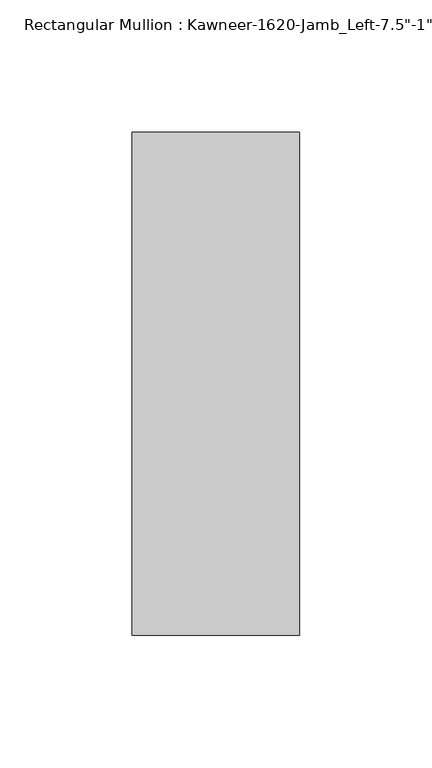
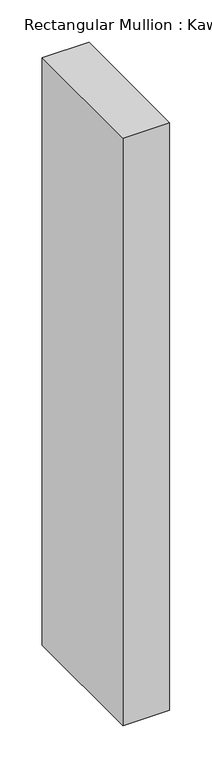
"""IFC4 building model written with IfcOpenShell, lengths in millimetres: member geometry."""

import ifcopenshell
import ifcopenshell.guid

model = None  # the IFC model being written
_history = None  # IfcOwnerHistory: only IFC2X3 demands one
_inside = {}  # id of a spatial element -> (the spatial element, [elements in it])
_under = {}  # id of a project, library or spatial element -> (it, [spatial elements below it])
_declared = {}  # id of a project -> (the project, [libraries it declares])
_typed = {}  # id of a type object -> (the type object, [elements of that type])
_made_of = {}  # id of a material, layer set ... -> (it, [elements and type objects made of it])


def new_model(schema):
    """Start an empty IFC model of exactly this schema.

    Asked for "IFC4X3", IfcOpenShell would pick the latest addendum, in which some entities
    have other attributes; the version numbers below select the first issue.
    IFC2X3 requires an IfcOwnerHistory on every rooted entity: one is made here for all.
    """
    global model, _history
    if schema == "IFC4X3":
        model = ifcopenshell.file(schema_version=(4, 3, 0, 0))
    else:
        model = ifcopenshell.file(schema=schema)
    _inside.clear()
    _under.clear()
    _declared.clear()
    _typed.clear()
    _made_of.clear()
    _history = None
    if model.schema == "IFC2X3":
        org = make("IfcOrganization", Name="unknown")
        user = make(
            "IfcPersonAndOrganization",
            ThePerson=make("IfcPerson", FamilyName="unknown"),
            TheOrganization=org,
        )
        app = make(
            "IfcApplication",
            ApplicationDeveloper=org,
            Version="unknown",
            ApplicationFullName="unknown",
            ApplicationIdentifier="unknown",
        )
        _history = make(
            "IfcOwnerHistory",
            OwningUser=user,
            OwningApplication=app,
            ChangeAction="ADDED",
            CreationDate=0,
        )
    return model


def make(cls, **values):
    """One entity of the class cls with the attributes given. An attribute that is None is left unset."""
    return model.create_entity(
        cls, **{name: value for name, value in values.items() if value is not None}
    )


def rooted(cls, **values):
    """An entity with a GlobalId (a new one), such as an element, a storey or a relation."""
    return make(cls, GlobalId=ifcopenshell.guid.new(), OwnerHistory=_history, **values)


def si_unit(unit_type, name, prefix=None):
    """IfcSIUnit, for example si_unit("LENGTHUNIT", "METRE", prefix="MILLI")."""
    return make("IfcSIUnit", UnitType=unit_type, Prefix=prefix, Name=name)


def assignment(units):
    """IfcUnitAssignment: the units of a project."""
    return None if units is None else make("IfcUnitAssignment", Units=units)


def point(xyz):
    """IfcCartesianPoint."""
    return None if xyz is None else make("IfcCartesianPoint", Coordinates=xyz)


def direction(xyz):
    """IfcDirection."""
    return None if xyz is None else make("IfcDirection", DirectionRatios=xyz)


def frame(location, z_axis=None, x_axis=None):
    """IfcAxis2Placement3D, a coordinate frame: its origin and axes. An axis left out is left unset."""
    return make(
        "IfcAxis2Placement3D",
        Location=point(location),
        Axis=direction(z_axis),
        RefDirection=direction(x_axis),
    )


def origin():
    """The frame at (0, 0, 0) with its axes left unset."""
    return frame((0.0, 0.0, 0.0))


def place(relative_to, where):
    """IfcLocalPlacement: puts the frame where relative to a parent placement (None: the world)."""
    return make(
        "IfcLocalPlacement", PlacementRelTo=relative_to, RelativePlacement=where
    )


def context(
    kind, dimensions, precision=None, world=None, true_north=None, identifier=None
):
    """IfcGeometricRepresentationContext, for example the 3D "Model" context."""
    return make(
        "IfcGeometricRepresentationContext",
        ContextIdentifier=identifier,
        ContextType=kind,
        CoordinateSpaceDimension=dimensions,
        Precision=precision,
        WorldCoordinateSystem=world,
        TrueNorth=true_north,
    )


def project(units=None, contexts=None):
    """IfcProject with its units and contexts."""
    return rooted(
        "IfcProject",
        Name="project",
        RepresentationContexts=contexts,
        UnitsInContext=assignment(units),
    )


def spatial(cls, under=None, at=None, **own):
    """A site, building, storey or space (cls), placed at a placement, below another one or the project."""
    s = rooted(cls, ObjectPlacement=at, **own)
    if under is not None:
        _under.setdefault(under.id(), (under, []))[1].append(s)
    return s


def polyline(points):
    """IfcPolyline through the points."""
    return make("IfcPolyline", Points=[point(p) for p in points])


def outline(outer, holes=None, kind="AREA"):
    """IfcArbitraryClosedProfileDef: a profile drawn as a closed curve; with holes, ...WithVoids."""
    if holes is None:
        return make("IfcArbitraryClosedProfileDef", ProfileType=kind, OuterCurve=outer)
    return make(
        "IfcArbitraryProfileDefWithVoids",
        ProfileType=kind,
        OuterCurve=outer,
        InnerCurves=holes,
    )


def extrude(swept, where, along, depth):
    """IfcExtrudedAreaSolid: the profile swept, set in the frame where, extruded along a direction by depth."""
    return make(
        "IfcExtrudedAreaSolid",
        SweptArea=swept,
        Position=where,
        ExtrudedDirection=direction(along),
        Depth=depth,
    )


def shape(context_of_items, identifier, shape_type, items):
    """IfcShapeRepresentation: the items that make up one representation, for example the "Body"."""
    return make(
        "IfcShapeRepresentation",
        ContextOfItems=context_of_items,
        RepresentationIdentifier=identifier,
        RepresentationType=shape_type,
        Items=items,
    )


def source(mapping_origin, context_of_items, identifier, shape_type, items):
    """IfcRepresentationMap: a shape defined once, which mapped items show again and again."""
    return make(
        "IfcRepresentationMap",
        MappingOrigin=mapping_origin,
        MappedRepresentation=shape(context_of_items, identifier, shape_type, items),
    )


def transform(
    local_origin,
    x_axis=None,
    y_axis=None,
    z_axis=None,
    scale=None,
    scale2=None,
    scale3=None,
    uniform=True,
):
    """IfcCartesianTransformationOperator3D, or its non-uniform kind. x_axis, y_axis, z_axis: its Axis1, 2, 3."""
    if uniform:
        return make(
            "IfcCartesianTransformationOperator3D",
            Axis1=direction(x_axis),
            Axis2=direction(y_axis),
            LocalOrigin=point(local_origin),
            Scale=scale,
            Axis3=direction(z_axis),
        )
    return make(
        "IfcCartesianTransformationOperator3DnonUniform",
        Axis1=direction(x_axis),
        Axis2=direction(y_axis),
        LocalOrigin=point(local_origin),
        Scale=scale,
        Axis3=direction(z_axis),
        Scale2=scale2,
        Scale3=scale3,
    )


def mapped(mapping_source, mapping_target):
    """IfcMappedItem: shows the shape of a source again, moved by a transform."""
    return make(
        "IfcMappedItem", MappingSource=mapping_source, MappingTarget=mapping_target
    )


def made_of(thing, what):
    """Note that an element or type object is made of a material, layer set ...; save() writes the relation."""
    if what is not None:
        _made_of.setdefault(what.id(), (what, []))[1].append(thing)
    return thing


def element(
    cls,
    number,
    at=None,
    inside=None,
    cuts=None,
    type_object=None,
    material=None,
    context=None,
    identifier="Body",
    shape_type=None,
    held_by="IfcProductDefinitionShape",
    body=None,
    shapes=None,
    **own,
):
    """One element of the class cls, such as IfcWall. Its Tag is "e" and its number.

    at: its placement. inside: the storey or other place that contains it. cuts: it is an
    opening in that element (IfcRelVoidsElement). A single representation is given by context,
    identifier, shape_type and body (its items); several are given by shapes. held_by: the class
    of the entity that holds the representations. save() writes the other relations.
    """
    e = rooted(cls, Tag="e%d" % number, ObjectPlacement=at, **own)
    if body is not None:
        shapes = [shape(context, identifier, shape_type, body)]
    if shapes is not None:
        e.Representation = make(held_by, Representations=shapes)
    if inside is not None:
        _inside.setdefault(inside.id(), (inside, []))[1].append(e)
    if cuts is not None:
        rooted(
            "IfcRelVoidsElement", RelatingBuildingElement=cuts, RelatedOpeningElement=e
        )
    if type_object is not None:
        _typed.setdefault(type_object.id(), (type_object, []))[1].append(e)
    return made_of(e, material)


def aggregate(whole, parts):
    """IfcRelAggregates: a whole, such as a stair, and the parts it consists of."""
    return rooted("IfcRelAggregates", RelatingObject=whole, RelatedObjects=parts)


def save(model, path):
    """Write the relations noted so far, then the file.

    IfcRelAggregates (storeys below a building ...), IfcRelContainedInSpatialStructure (elements
    in a storey), IfcRelDefinesByType, IfcRelAssociatesMaterial and IfcRelDeclares: one each for
    every whole, place, type object, material and project.
    """
    for whole, parts in _under.values():
        aggregate(whole, parts)
    for where, things in _inside.values():
        rooted(
            "IfcRelContainedInSpatialStructure",
            RelatedElements=things,
            RelatingStructure=where,
        )
    for kind, things in _typed.values():
        rooted("IfcRelDefinesByType", RelatedObjects=things, RelatingType=kind)
    for what, things in _made_of.values():
        rooted("IfcRelAssociatesMaterial", RelatedObjects=things, RelatingMaterial=what)
    for by, libraries in _declared.values():
        rooted("IfcRelDeclares", RelatingContext=by, RelatedDefinitions=libraries)
    model.write(path)


def member_602bbbae(model_context):
    return source(origin(), model_context, "Body", "SweptSolid", [
        extrude(outline(polyline([(-63.5, 38.1), (0.0, 38.1), (0.0, -152.4), (-63.5, -152.4), (-63.5, 38.1)])), frame((0.0, 0.0, -844.55), z_axis=(0.0, 0.0, 1.0), x_axis=(1.0, 0.0, 0.0)), (0.0, 0.0, 1.0), 844.55),
    ])


if __name__ == "__main__":
    model = new_model("IFC4")
    model_context = context("Model", 3, world=origin())
    ifc_project = project(units=[si_unit("LENGTHUNIT", "METRE", prefix="MILLI")], contexts=[model_context])
    site = spatial("IfcSite", under=ifc_project)
    building = spatial("IfcBuilding", under=site)
    placement = place(None, origin())
    member_shape = member_602bbbae(model_context)
    element("IfcMember", 1, ObjectType="Rectangular Mullion : Kawneer-1620-Jamb_Left-7.5\"-1\"Infill", at=placement, inside=building, context=model_context, shape_type="MappedRepresentation", body=[
        mapped(member_shape, transform((0.0, 0.0, 0.0), x_axis=(1.0, 0.0, 0.0), y_axis=(0.0, 1.0, 0.0), z_axis=(0.0, 0.0, 1.0))),
    ])
    save(model, "model.ifc")
